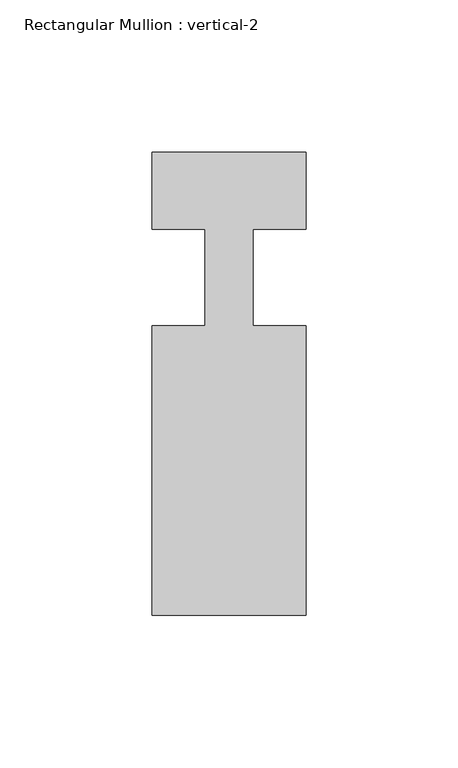
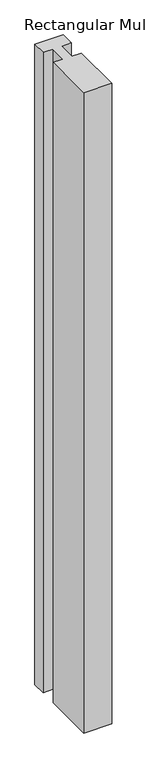
"""IFC4 building model written with IfcOpenShell, lengths in millimetres: member geometry, Rectangular Mullion : vertical-2."""

from ifc_helpers import new_model, si_unit, frame, origin, place, context, project, spatial, polyline, outline, extrude, source, transform, mapped, element, save


def rectangular_mullion_vertical_2_79fdf06a(model_context):
    return source(origin(), model_context, "Body", "SweptSolid", [
        extrude(outline(polyline([(25.4, -146.05), (-25.4, -146.05), (-25.4, -50.8), (-7.9502, -50.8), (-7.9502, -19.05), (-25.4, -19.05), (-25.4, 6.35), (25.4, 6.35), (25.4, -19.05), (7.9502, -19.05), (7.9502, -50.8), (25.4, -50.8), (25.4, -146.05)])), frame((0.0, 0.0, -1219.2), z_axis=(0.0, 0.0, 1.0), x_axis=(1.0, 0.0, 0.0)), (0.0, 0.0, 1.0), 1219.2),
    ])


if __name__ == "__main__":
    model = new_model("IFC4")
    model_context = context("Model", 3, world=origin())
    ifc_project = project(units=[si_unit("LENGTHUNIT", "METRE", prefix="MILLI")], contexts=[model_context])
    site = spatial("IfcSite", under=ifc_project)
    building = spatial("IfcBuilding", under=site)
    placement = place(None, origin())
    rectangular_mullion_vertical_2_shape = rectangular_mullion_vertical_2_79fdf06a(model_context)
    element("IfcMember", 1, ObjectType="Rectangular Mullion : vertical-2", at=placement, inside=building, context=model_context, shape_type="MappedRepresentation", body=[
        mapped(rectangular_mullion_vertical_2_shape, transform((0.0, 0.0, 0.0), x_axis=(1.0, 0.0, 0.0), y_axis=(0.0, 1.0, 0.0), z_axis=(0.0, 0.0, 1.0))),
    ])
    save(model, "model.ifc")
